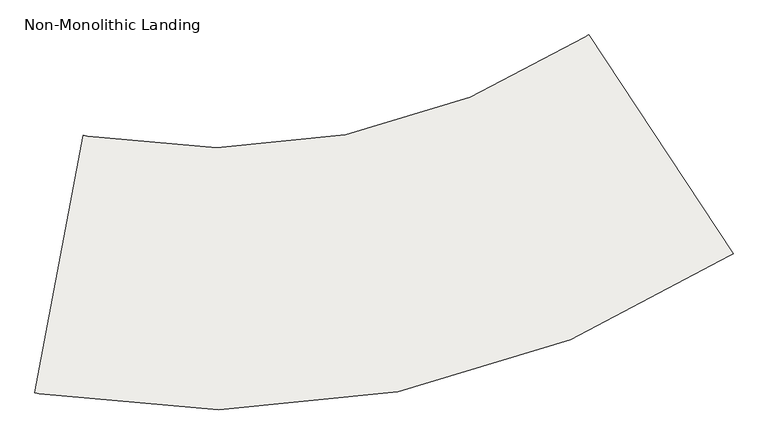
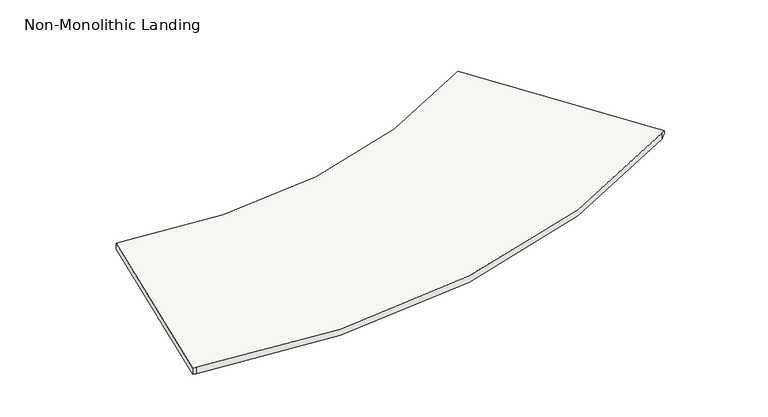
"""IFC4 building model written with IfcOpenShell, lengths in millimetres: slab geometry, Non-Monolithic Landing."""

from ifc_helpers import new_model, si_unit, frame, origin, place, context, project, spatial, polyline, circle_curve, ellipse_curve, source, transform, mapped, element, save
from ifc_brep_helpers import plane_surface, cylinder_surface, revolved_surface, advanced_brep


def non_monolithic_landing_a291d45c(model_context):
    return source(origin(), model_context, "Body", "AdvancedBrep", [
        advanced_brep(
        [(55172.6386858, -3281.7083762, -6689.8344828), (55172.6386858, -3281.7083762, -6708.8844828), (55151.402204, -3295.6431696, -6734.2844828), (55151.402204, -3295.6431696, -6689.8344828), (56012.8016383, -4553.2044294, -6708.8844828), (56012.8016383, -4553.2044294, -6689.8344828), (55991.5776235, -4567.1580904, -6689.8344828), (55991.5776235, -4567.1580904, -6734.2844828), (52258.5142745, -3870.4496343, -6689.8344828), (52233.5636835, -3865.6920467, -6689.8344828), (51952.9053901, -5363.649273, -6689.8344828), (51977.8601457, -5368.3846329, -6689.8344828), (55151.402204, -3295.6431696, -6740.6344828), (55991.5776235, -4567.1580904, -6740.6344828), (51977.8601457, -5368.3846329, -6740.6344828), (51952.9053901, -5363.649273, -6740.6344828), (52233.5636835, -3865.6920467, -6740.6344828), (52258.5142745, -3870.4496343, -6740.6344828)],
        [
            (0, 1),
            (1, 2, ellipse_curve(frame((52988.2150093, 24.1813621, -6708.8844828), z_axis=(0.5899497909849288, 0.3898195019709004, -0.7071067811865461), x_axis=(-0.5899497909849265, -0.3898195019708989, -0.7071067811865489)), 5603.6798195, 3962.4)),
            (2, 3),
            (3, 0, circle_curve(frame((52988.2150093, 24.1813621, -6689.8344828), z_axis=(0.0, 0.0, 1.0), x_axis=(0.9751011241777475, 0.22176067646743192, 0.0)), 3962.4)),
            (4, 5),
            (5, 6, circle_curve(frame((52988.2150093, 24.1813621, -6689.8344828), z_axis=(0.0, 0.0, -1.0), x_axis=(0.9751011241777475, 0.22176067646743192, 0.0)), 5486.4)),
            (6, 7),
            (7, 4, ellipse_curve(frame((52988.2150093, 24.1813621, -6708.8844828), z_axis=(-0.5899497909849288, -0.3898195019709004, 0.7071067811865461), x_axis=(0.5899497909849265, 0.3898195019708989, 0.7071067811865489)), 7758.9412886, 5486.4)),
            (0, 5),
            (4, 1),
            (7, 2),
            (3, 8, circle_curve(frame((52988.2150093, 24.1813621, -6689.8344828), z_axis=(0.0, 0.0, -1.0), x_axis=(0.9751011241777475, 0.22176067646743192, 0.0)), 3962.4)),
            (8, 9, circle_curve(frame((52988.2150093, 24.1813621, -6689.8344828), z_axis=(0.0, 0.0, -1.0), x_axis=(0.9751011241777475, 0.22176067646743192, 0.0)), 3962.4)),
            (9, 10),
            (10, 11, circle_curve(frame((52988.2150093, 24.1813621, -6689.8344828), z_axis=(0.0, 0.0, 1.0), x_axis=(0.9751011241777475, 0.22176067646743192, 0.0)), 5486.4)),
            (11, 6, circle_curve(frame((52988.2150093, 24.1813621, -6689.8344828), z_axis=(0.0, 0.0, 1.0), x_axis=(0.9751011241777475, 0.22176067646743192, 0.0)), 5486.4)),
            (12, 13),
            (13, 14, circle_curve(frame((52988.2150093, 24.1813621, -6740.6344828), z_axis=(0.0, 0.0, -1.0), x_axis=(0.9751011241777475, 0.22176067646743192, 0.0)), 5486.4)),
            (14, 15, circle_curve(frame((52988.2150093, 24.1813621, -6740.6344828), z_axis=(0.0, 0.0, -1.0), x_axis=(0.9751011241777475, 0.22176067646743192, 0.0)), 5486.4)),
            (15, 16),
            (16, 17, circle_curve(frame((52988.2150093, 24.1813621, -6740.6344828), z_axis=(0.0, 0.0, 1.0), x_axis=(0.9751011241777475, 0.22176067646743192, 0.0)), 3962.4)),
            (17, 12, circle_curve(frame((52988.2150093, 24.1813621, -6740.6344828), z_axis=(0.0, 0.0, 1.0), x_axis=(0.9751011241777475, 0.22176067646743192, 0.0)), 3962.4)),
            (12, 2),
            (7, 13),
            (17, 8),
            (16, 9),
            (15, 10),
            (14, 11),
        ],
        [
            revolved_surface(polyline([(56851.95570374191, 902.8858665345523, -10671.284482766667), (56851.95570374191, 902.8858665345523, -2746.4844828333335)]), (52988.2150093, 24.1813621, -6740.6344828), (0.0, 0.0, -1.0)),
            cylinder_surface(frame((52988.2150093, 24.1813621, -6740.6344828), z_axis=(0.0, 0.0, 1.0), x_axis=(0.9751011241777475, 0.22176067646743192, 0.0)), 5486.4),
            plane_surface(frame((55172.6386858, -3281.7083762, -6689.8344828), z_axis=(0.8343149955300585, 0.5512880265647699, 0.0), x_axis=(0.5512880265647699, -0.8343149955300585, 0.0))),
            plane_surface(frame((55172.6386858, -3281.7083762, -6708.8844828), z_axis=(0.5899497909849288, 0.3898195019709004, -0.7071067811865461), x_axis=(0.5512880265647522, -0.8343149955300703, 0.0))),
            plane_surface(frame((55991.6100374, -4567.2071453, -6689.8344828), z_axis=(0.0, 0.0, 1.0), x_axis=(-0.5512880265647695, 0.8343149955300588, 0.0))),
            plane_surface(frame((55991.6100374, -4567.2071453, -6740.6344828), z_axis=(0.0, 0.0, -1.0), x_axis=(0.5512880265647695, -0.8343149955300588, 0.0))),
            plane_surface(frame((55991.5776235, -4567.1580904, -6689.8344828), z_axis=(0.8343149955300588, 0.5512880265647695, 0.0), x_axis=(0.0, 0.0, -1.0))),
            revolved_surface(polyline([(56851.95570374191, 902.8858665345523, -6740.6344828), (56851.95570374191, 902.8858665345523, -6689.8344828)]), (52988.2150093, 24.1813621, -6740.6344828), (0.0, 0.0, -1.0)),
            plane_surface(frame((52233.5636835, -3865.6920467, -6689.8344828), z_axis=(-0.9828969807004797, 0.18415625248652534, 0.0), x_axis=(0.0, 0.0, -1.0))),
        ],
        [
            (0, [[1, 2, 3, 4]]),
            (1, [[5, 6, 7, 8]]),
            (2, [[-1, 9, -5, 10]]),
            (3, [[-2, -10, -8, 11]]),
            (4, [[12, 13, 14, 15, 16, -6, -9, -4]]),
            (5, [[17, 18, 19, 20, 21, 22]]),
            (6, [[-17, 23, -11, 24]]),
            (7, [[-12, -3, -23, -22, 25]]),
            (7, [[-13, -25, -21, 26]]),
            (8, [[-14, -26, -20, 27]]),
            (1, [[-15, -27, -19, 28]]),
            (1, [[-16, -28, -18, -24, -7]]),
        ],
    ),
    ])


if __name__ == "__main__":
    model = new_model("IFC4")
    model_context = context("Model", 3, world=origin())
    ifc_project = project(units=[si_unit("LENGTHUNIT", "METRE", prefix="MILLI")], contexts=[model_context])
    site = spatial("IfcSite", under=ifc_project)
    building = spatial("IfcBuilding", under=site)
    placement = place(None, origin())
    non_monolithic_landing_shape = non_monolithic_landing_a291d45c(model_context)
    element("IfcSlab", 1, ObjectType="Non-Monolithic Landing", at=placement, inside=building, context=model_context, shape_type="MappedRepresentation", body=[
        mapped(non_monolithic_landing_shape, transform((0.0, 0.0, 0.0), x_axis=(1.0, 0.0, 0.0), y_axis=(0.0, 1.0, 0.0), z_axis=(0.0, 0.0, 1.0))),
    ])
    save(model, "model.ifc")
